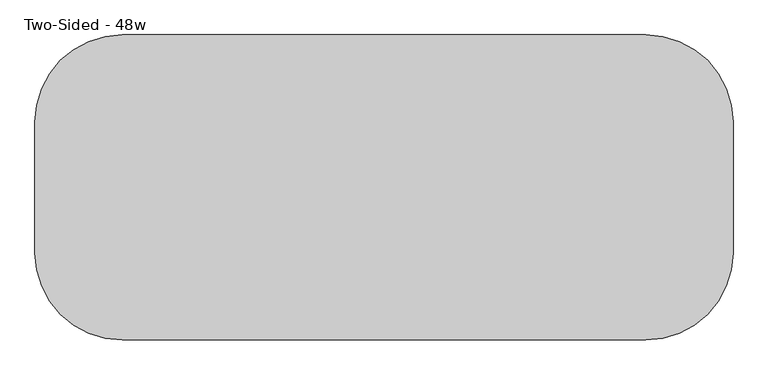
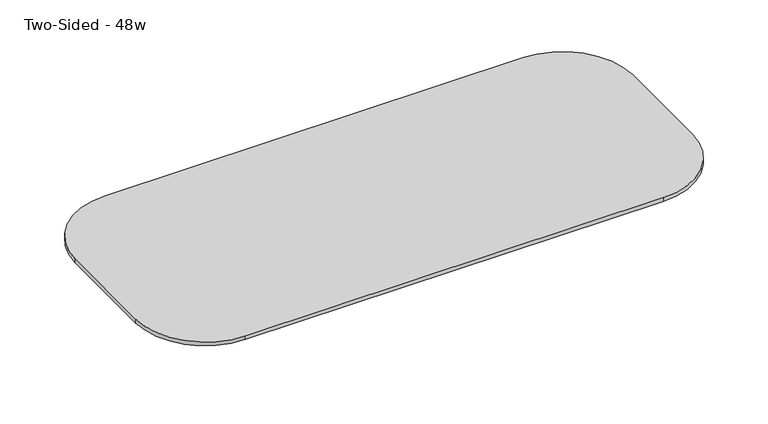
"""IFC4 building model written with IfcOpenShell, lengths in millimetres: furniture geometry, Two-Sided - 48w."""

from ifc_helpers import new_model, si_unit, frame, origin, place, context, project, spatial, polyline, circle_curve, outline, extrude, source, transform, mapped, element, save
from ifc_brep_helpers import plane_surface, cylinder_surface, revolved_surface, advanced_brep


def two_sided_48w_cbe355d8(model_context):
    return source(origin(), model_context, "Body", "SolidModel", [
        extrude(outline(polyline([(-142.2292425, 673.1), (-142.2292425, 711.2), (-2.5292425, 711.2), (-2.5292425, 704.85), (-142.2292425, 673.1)])), frame((-268.910823, 0.0, 0.0), z_axis=(1.0, 0.0, 0.0), x_axis=(0.0, 1.0, 0.0)), (0.0, 0.0, 1.0), 82.55),
        extrude(outline(polyline([(-142.2292425, 673.1), (-142.2292425, 711.2), (-2.5292425, 711.2), (-2.5292425, 704.85), (-142.2292425, 673.1)])), frame((-1069.010823, 0.0, 0.0), z_axis=(1.0, 0.0, 0.0), x_axis=(0.0, 1.0, 0.0)), (0.0, 0.0, 1.0), 82.55),
        extrude(outline(polyline([(-243.8292425, 673.1), (-383.5292425, 704.85), (-383.5292425, 711.2), (-243.8292425, 711.2), (-243.8292425, 673.1)])), frame((-268.910823, 0.0, 0.0), z_axis=(1.0, 0.0, 0.0), x_axis=(0.0, 1.0, 0.0)), (0.0, 0.0, 1.0), 82.55),
        extrude(outline(polyline([(-243.8292425, 673.1), (-383.5292425, 704.85), (-383.5292425, 711.2), (-243.8292425, 711.2), (-243.8292425, 673.1)])), frame((-1069.010823, 0.0, 0.0), z_axis=(1.0, 0.0, 0.0), x_axis=(0.0, 1.0, 0.0)), (0.0, 0.0, 1.0), 82.55),
        advanced_brep(
        [(-170.485823, 73.6707575, 742.95), (-1084.885823, 73.6707575, 742.95), (-1237.285823, -78.7292425, 742.95), (-1237.285823, -307.3292425, 742.95), (-1084.885823, -459.7292425, 742.95), (-170.485823, -459.7292425, 742.95), (-18.085823, -307.3292425, 742.95), (-18.085823, -78.7292425, 742.95), (-68.885823, -307.3292425, 711.2), (-170.485823, -408.9292425, 711.2), (-1084.885823, -408.9292425, 711.2), (-1186.485823, -307.3292425, 711.2), (-1186.485823, -78.7292425, 711.2), (-1084.885823, 22.8707575, 711.2), (-170.485823, 22.8707575, 711.2), (-68.885823, -78.7292425, 711.2), (-170.485823, 73.6707575, 734.45116), (-1084.885823, 73.6707575, 734.45116), (-1237.285823, -78.7292425, 734.45116), (-1237.285823, -307.3292425, 734.45116), (-1084.885823, -459.7292425, 734.45116), (-170.485823, -459.7292425, 734.45116), (-18.085823, -307.3292425, 734.45116), (-18.085823, -78.7292425, 734.45116)],
        [
            (0, 1),
            (1, 2, circle_curve(frame((-1084.885823, -78.7292425, 742.95), z_axis=(0.0, 0.0, 1.0), x_axis=(1.0, 0.0, 0.0)), 152.4)),
            (2, 3),
            (3, 4, circle_curve(frame((-1084.885823, -307.3292425, 742.95), z_axis=(0.0, 0.0, 1.0), x_axis=(1.0, 0.0, 0.0)), 152.4)),
            (4, 5),
            (5, 6, circle_curve(frame((-170.485823, -307.3292425, 742.95), z_axis=(0.0, 0.0, 1.0), x_axis=(1.0, 0.0, 0.0)), 152.4)),
            (6, 7),
            (7, 0, circle_curve(frame((-170.485823, -78.7292425, 742.95), z_axis=(0.0, 0.0, 1.0), x_axis=(1.0, 0.0, 0.0)), 152.4)),
            (8, 9, circle_curve(frame((-170.485823, -307.3292425, 711.2), z_axis=(0.0, 0.0, -1.0), x_axis=(0.0, -1.0, 0.0)), 101.6)),
            (9, 10),
            (10, 11, circle_curve(frame((-1084.885823, -307.3292425, 711.2), z_axis=(0.0, 0.0, -1.0), x_axis=(-1.0, 0.0, 0.0)), 101.6)),
            (11, 12),
            (12, 13, circle_curve(frame((-1084.885823, -78.7292425, 711.2), z_axis=(0.0, 0.0, -1.0), x_axis=(0.0, 1.0, 0.0)), 101.6)),
            (13, 14),
            (14, 15, circle_curve(frame((-170.485823, -78.7292425, 711.2), z_axis=(0.0, 0.0, -1.0), x_axis=(1.0, 0.0, 0.0)), 101.6)),
            (15, 8),
            (0, 16),
            (16, 17),
            (17, 1),
            (2, 18),
            (18, 19),
            (19, 3),
            (4, 20),
            (20, 21),
            (21, 5),
            (6, 22),
            (22, 23),
            (23, 7),
            (17, 18, circle_curve(frame((-1084.885823, -78.7292425, 734.45116), z_axis=(0.0, 0.0, 1.0), x_axis=(1.0, 0.0, 0.0)), 152.4)),
            (19, 20, circle_curve(frame((-1084.885823, -307.3292425, 734.45116), z_axis=(0.0, 0.0, 1.0), x_axis=(1.0, 0.0, 0.0)), 152.4)),
            (21, 22, circle_curve(frame((-170.485823, -307.3292425, 734.45116), z_axis=(0.0, 0.0, 1.0), x_axis=(1.0, 0.0, 0.0)), 152.4)),
            (23, 16, circle_curve(frame((-170.485823, -78.7292425, 734.45116), z_axis=(0.0, 0.0, 1.0), x_axis=(1.0, 0.0, 0.0)), 152.4)),
            (8, 22),
            (21, 9),
            (15, 23),
            (18, 12),
            (11, 19),
            (10, 20),
            (14, 16),
            (13, 17),
        ],
        [
            plane_surface(frame((-1084.885823, 73.6707575, 742.95), z_axis=(0.0, 0.0, 1.0), x_axis=(-1.0, 0.0, 0.0))),
            plane_surface(frame((-1084.885823, 73.6707575, 711.2), z_axis=(0.0, 0.0, -1.0), x_axis=(1.0, 0.0, 0.0))),
            plane_surface(frame((-170.485823, 73.6707575, 742.95), z_axis=(0.0, 1.0, 0.0), x_axis=(0.0, 0.0, -1.0))),
            plane_surface(frame((-1237.285823, -78.7292425, 742.95), z_axis=(-1.0, 0.0, 0.0), x_axis=(0.0, 0.0, -1.0))),
            plane_surface(frame((-1084.885823, -459.7292425, 742.95), z_axis=(0.0, -1.0, 0.0), x_axis=(0.0, 0.0, -1.0))),
            plane_surface(frame((-18.085823, -307.3292425, 742.95), z_axis=(1.0, 0.0, 0.0), x_axis=(0.0, 0.0, -1.0))),
            cylinder_surface(frame((-1084.885823, -78.7292425, 711.2), z_axis=(0.0, 0.0, 1.0), x_axis=(1.0, 0.0, 0.0)), 152.4),
            cylinder_surface(frame((-1084.885823, -307.3292425, 711.2), z_axis=(0.0, 0.0, 1.0), x_axis=(1.0, 0.0, 0.0)), 152.4),
            cylinder_surface(frame((-170.485823, -307.3292425, 711.2), z_axis=(0.0, 0.0, 1.0), x_axis=(1.0, 0.0, 0.0)), 152.4),
            cylinder_surface(frame((-170.485823, -78.7292425, 711.2), z_axis=(0.0, 0.0, 1.0), x_axis=(1.0, 0.0, 0.0)), 152.4),
            revolved_surface(polyline([(-170.485823, -325.686944, 673.1), (-170.485823, -459.7292425, 734.45116)]), (-170.485823, -307.3292425, 742.95), (0.0, 0.0, 1.0)),
            plane_surface(frame((-18.085823, -307.3292425, 734.45116), z_axis=(0.4161787475539382, 0.0, -0.9092828218351183), x_axis=(0.0, 1.0, 0.0))),
            plane_surface(frame((-1237.285823, -78.7292425, 734.45116), z_axis=(-0.4161787475539382, 0.0, -0.9092828218351183), x_axis=(0.0, -1.0, 0.0))),
            revolved_surface(polyline([(-1103.2435246, -307.3292425, 673.1), (-1237.285823, -307.3292425, 734.45116)]), (-1084.885823, -307.3292425, 742.95), (0.0, 0.0, 1.0)),
            plane_surface(frame((-1084.885823, -459.7292425, 734.45116), z_axis=(0.0, -0.4161787475539382, -0.9092828218351183), x_axis=(1.0, 0.0, 0.0))),
            revolved_surface(polyline([(-152.1281215, -78.7292425, 673.1), (-18.085823, -78.7292425, 734.45116)]), (-170.485823, -78.7292425, 742.95), (0.0, 0.0, 1.0)),
            plane_surface(frame((-170.485823, 73.6707575, 734.45116), z_axis=(0.0, 0.4161787475539382, -0.9092828218351183), x_axis=(-1.0, 0.0, 0.0))),
            revolved_surface(polyline([(-1084.885823, -60.3715409, 673.1), (-1084.885823, 73.6707575, 734.45116)]), (-1084.885823, -78.7292425, 742.95), (0.0, 0.0, 1.0)),
        ],
        [
            (0, [[1, 2, 3, 4, 5, 6, 7, 8]]),
            (1, [[9, 10, 11, 12, 13, 14, 15, 16]]),
            (2, [[-1, 17, 18, 19]]),
            (3, [[-3, 20, 21, 22]]),
            (4, [[-5, 23, 24, 25]]),
            (5, [[-7, 26, 27, 28]]),
            (6, [[-2, -19, 29, -20]]),
            (7, [[-4, -22, 30, -23]]),
            (8, [[-6, -25, 31, -26]]),
            (9, [[-8, -28, 32, -17]]),
            (10, [[33, -31, 34, -9]]),
            (11, [[-33, -16, 35, -27]]),
            (12, [[36, -12, 37, -21]]),
            (13, [[-37, -11, 38, -30]]),
            (14, [[-38, -10, -34, -24]]),
            (15, [[-35, -15, 39, -32]]),
            (16, [[-39, -14, 40, -18]]),
            (17, [[-40, -13, -36, -29]]),
        ],
    ),
    ])


if __name__ == "__main__":
    model = new_model("IFC4")
    model_context = context("Model", 3, world=origin())
    ifc_project = project(units=[si_unit("LENGTHUNIT", "METRE", prefix="MILLI")], contexts=[model_context])
    site = spatial("IfcSite", under=ifc_project)
    building = spatial("IfcBuilding", under=site)
    placement = place(None, origin())
    two_sided_48w_shape = two_sided_48w_cbe355d8(model_context)
    element("IfcFurniture", 1, ObjectType="Two-Sided - 48w", at=placement, inside=building, context=model_context, shape_type="MappedRepresentation", body=[
        mapped(two_sided_48w_shape, transform((0.0, 0.0, 0.0), x_axis=(1.0, 0.0, 0.0), y_axis=(0.0, 1.0, 0.0), z_axis=(0.0, 0.0, 1.0))),
    ])
    save(model, "model.ifc")
